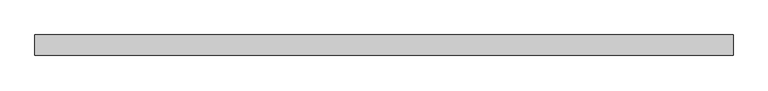
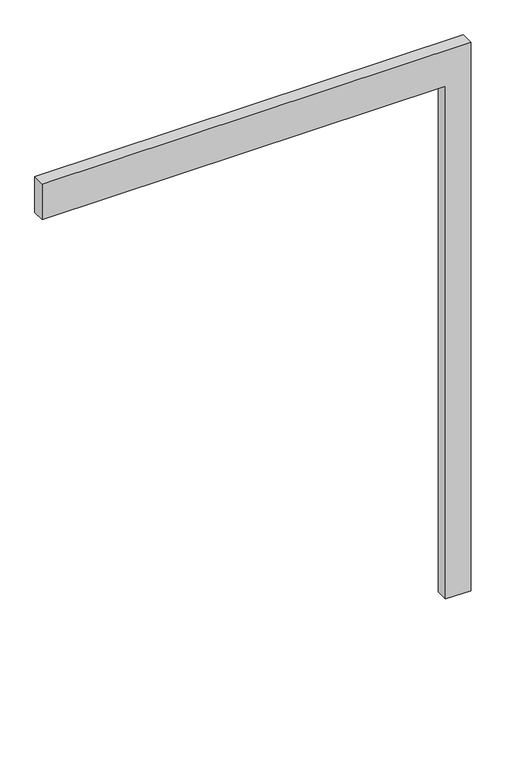
"""IFC4 building model written with IfcOpenShell, lengths in millimetres: proxy geometry."""

import ifcopenshell
import ifcopenshell.guid

model = None  # the IFC model being written
_history = None  # IfcOwnerHistory: only IFC2X3 demands one
_inside = {}  # id of a spatial element -> (the spatial element, [elements in it])
_under = {}  # id of a project, library or spatial element -> (it, [spatial elements below it])
_declared = {}  # id of a project -> (the project, [libraries it declares])
_typed = {}  # id of a type object -> (the type object, [elements of that type])
_made_of = {}  # id of a material, layer set ... -> (it, [elements and type objects made of it])


def new_model(schema):
    """Start an empty IFC model of exactly this schema.

    Asked for "IFC4X3", IfcOpenShell would pick the latest addendum, in which some entities
    have other attributes; the version numbers below select the first issue.
    IFC2X3 requires an IfcOwnerHistory on every rooted entity: one is made here for all.
    """
    global model, _history
    if schema == "IFC4X3":
        model = ifcopenshell.file(schema_version=(4, 3, 0, 0))
    else:
        model = ifcopenshell.file(schema=schema)
    _inside.clear()
    _under.clear()
    _declared.clear()
    _typed.clear()
    _made_of.clear()
    _history = None
    if model.schema == "IFC2X3":
        org = make("IfcOrganization", Name="unknown")
        user = make(
            "IfcPersonAndOrganization",
            ThePerson=make("IfcPerson", FamilyName="unknown"),
            TheOrganization=org,
        )
        app = make(
            "IfcApplication",
            ApplicationDeveloper=org,
            Version="unknown",
            ApplicationFullName="unknown",
            ApplicationIdentifier="unknown",
        )
        _history = make(
            "IfcOwnerHistory",
            OwningUser=user,
            OwningApplication=app,
            ChangeAction="ADDED",
            CreationDate=0,
        )
    return model


def make(cls, **values):
    """One entity of the class cls with the attributes given. An attribute that is None is left unset."""
    return model.create_entity(
        cls, **{name: value for name, value in values.items() if value is not None}
    )


def rooted(cls, **values):
    """An entity with a GlobalId (a new one), such as an element, a storey or a relation."""
    return make(cls, GlobalId=ifcopenshell.guid.new(), OwnerHistory=_history, **values)


def si_unit(unit_type, name, prefix=None):
    """IfcSIUnit, for example si_unit("LENGTHUNIT", "METRE", prefix="MILLI")."""
    return make("IfcSIUnit", UnitType=unit_type, Prefix=prefix, Name=name)


def assignment(units):
    """IfcUnitAssignment: the units of a project."""
    return None if units is None else make("IfcUnitAssignment", Units=units)


def point(xyz):
    """IfcCartesianPoint."""
    return None if xyz is None else make("IfcCartesianPoint", Coordinates=xyz)


def direction(xyz):
    """IfcDirection."""
    return None if xyz is None else make("IfcDirection", DirectionRatios=xyz)


def frame(location, z_axis=None, x_axis=None):
    """IfcAxis2Placement3D, a coordinate frame: its origin and axes. An axis left out is left unset."""
    return make(
        "IfcAxis2Placement3D",
        Location=point(location),
        Axis=direction(z_axis),
        RefDirection=direction(x_axis),
    )


def origin():
    """The frame at (0, 0, 0) with its axes left unset."""
    return frame((0.0, 0.0, 0.0))


def place(relative_to, where):
    """IfcLocalPlacement: puts the frame where relative to a parent placement (None: the world)."""
    return make(
        "IfcLocalPlacement", PlacementRelTo=relative_to, RelativePlacement=where
    )


def context(
    kind, dimensions, precision=None, world=None, true_north=None, identifier=None
):
    """IfcGeometricRepresentationContext, for example the 3D "Model" context."""
    return make(
        "IfcGeometricRepresentationContext",
        ContextIdentifier=identifier,
        ContextType=kind,
        CoordinateSpaceDimension=dimensions,
        Precision=precision,
        WorldCoordinateSystem=world,
        TrueNorth=true_north,
    )


def project(units=None, contexts=None):
    """IfcProject with its units and contexts."""
    return rooted(
        "IfcProject",
        Name="project",
        RepresentationContexts=contexts,
        UnitsInContext=assignment(units),
    )


def spatial(cls, under=None, at=None, **own):
    """A site, building, storey or space (cls), placed at a placement, below another one or the project."""
    s = rooted(cls, ObjectPlacement=at, **own)
    if under is not None:
        _under.setdefault(under.id(), (under, []))[1].append(s)
    return s


def polyline(points):
    """IfcPolyline through the points."""
    return make("IfcPolyline", Points=[point(p) for p in points])


def outline(outer, holes=None, kind="AREA"):
    """IfcArbitraryClosedProfileDef: a profile drawn as a closed curve; with holes, ...WithVoids."""
    if holes is None:
        return make("IfcArbitraryClosedProfileDef", ProfileType=kind, OuterCurve=outer)
    return make(
        "IfcArbitraryProfileDefWithVoids",
        ProfileType=kind,
        OuterCurve=outer,
        InnerCurves=holes,
    )


def extrude(swept, where, along, depth):
    """IfcExtrudedAreaSolid: the profile swept, set in the frame where, extruded along a direction by depth."""
    return make(
        "IfcExtrudedAreaSolid",
        SweptArea=swept,
        Position=where,
        ExtrudedDirection=direction(along),
        Depth=depth,
    )


def shape(context_of_items, identifier, shape_type, items):
    """IfcShapeRepresentation: the items that make up one representation, for example the "Body"."""
    return make(
        "IfcShapeRepresentation",
        ContextOfItems=context_of_items,
        RepresentationIdentifier=identifier,
        RepresentationType=shape_type,
        Items=items,
    )


def source(mapping_origin, context_of_items, identifier, shape_type, items):
    """IfcRepresentationMap: a shape defined once, which mapped items show again and again."""
    return make(
        "IfcRepresentationMap",
        MappingOrigin=mapping_origin,
        MappedRepresentation=shape(context_of_items, identifier, shape_type, items),
    )


def transform(
    local_origin,
    x_axis=None,
    y_axis=None,
    z_axis=None,
    scale=None,
    scale2=None,
    scale3=None,
    uniform=True,
):
    """IfcCartesianTransformationOperator3D, or its non-uniform kind. x_axis, y_axis, z_axis: its Axis1, 2, 3."""
    if uniform:
        return make(
            "IfcCartesianTransformationOperator3D",
            Axis1=direction(x_axis),
            Axis2=direction(y_axis),
            LocalOrigin=point(local_origin),
            Scale=scale,
            Axis3=direction(z_axis),
        )
    return make(
        "IfcCartesianTransformationOperator3DnonUniform",
        Axis1=direction(x_axis),
        Axis2=direction(y_axis),
        LocalOrigin=point(local_origin),
        Scale=scale,
        Axis3=direction(z_axis),
        Scale2=scale2,
        Scale3=scale3,
    )


def mapped(mapping_source, mapping_target):
    """IfcMappedItem: shows the shape of a source again, moved by a transform."""
    return make(
        "IfcMappedItem", MappingSource=mapping_source, MappingTarget=mapping_target
    )


def made_of(thing, what):
    """Note that an element or type object is made of a material, layer set ...; save() writes the relation."""
    if what is not None:
        _made_of.setdefault(what.id(), (what, []))[1].append(thing)
    return thing


def element(
    cls,
    number,
    at=None,
    inside=None,
    cuts=None,
    type_object=None,
    material=None,
    context=None,
    identifier="Body",
    shape_type=None,
    held_by="IfcProductDefinitionShape",
    body=None,
    shapes=None,
    **own,
):
    """One element of the class cls, such as IfcWall. Its Tag is "e" and its number.

    at: its placement. inside: the storey or other place that contains it. cuts: it is an
    opening in that element (IfcRelVoidsElement). A single representation is given by context,
    identifier, shape_type and body (its items); several are given by shapes. held_by: the class
    of the entity that holds the representations. save() writes the other relations.
    """
    e = rooted(cls, Tag="e%d" % number, ObjectPlacement=at, **own)
    if body is not None:
        shapes = [shape(context, identifier, shape_type, body)]
    if shapes is not None:
        e.Representation = make(held_by, Representations=shapes)
    if inside is not None:
        _inside.setdefault(inside.id(), (inside, []))[1].append(e)
    if cuts is not None:
        rooted(
            "IfcRelVoidsElement", RelatingBuildingElement=cuts, RelatedOpeningElement=e
        )
    if type_object is not None:
        _typed.setdefault(type_object.id(), (type_object, []))[1].append(e)
    return made_of(e, material)


def aggregate(whole, parts):
    """IfcRelAggregates: a whole, such as a stair, and the parts it consists of."""
    return rooted("IfcRelAggregates", RelatingObject=whole, RelatedObjects=parts)


def save(model, path):
    """Write the relations noted so far, then the file.

    IfcRelAggregates (storeys below a building ...), IfcRelContainedInSpatialStructure (elements
    in a storey), IfcRelDefinesByType, IfcRelAssociatesMaterial and IfcRelDeclares: one each for
    every whole, place, type object, material and project.
    """
    for whole, parts in _under.values():
        aggregate(whole, parts)
    for where, things in _inside.values():
        rooted(
            "IfcRelContainedInSpatialStructure",
            RelatedElements=things,
            RelatingStructure=where,
        )
    for kind, things in _typed.values():
        rooted("IfcRelDefinesByType", RelatedObjects=things, RelatingType=kind)
    for what, things in _made_of.values():
        rooted("IfcRelAssociatesMaterial", RelatedObjects=things, RelatingMaterial=what)
    for by, libraries in _declared.values():
        rooted("IfcRelDeclares", RelatingContext=by, RelatedDefinitions=libraries)
    model.write(path)


def generic_models_8d51e9d5(model_context):
    return source(origin(), model_context, "Body", "SweptSolid", [
        extrude(outline(polyline([(2150.0, -1600.0), (2150.0, 0.0), (0.0, 0.0), (0.0, 100.0), (2300.0, 100.0), (2300.0, -1600.0), (2150.0, -1600.0)])), frame((0.0, -50.0, 0.0), z_axis=(0.0, 1.0, 0.0), x_axis=(0.0, 0.0, 1.0)), (0.0, 0.0, 1.0), 50.0),
    ])


if __name__ == "__main__":
    model = new_model("IFC4")
    model_context = context("Model", 3, world=origin())
    ifc_project = project(units=[si_unit("LENGTHUNIT", "METRE", prefix="MILLI")], contexts=[model_context])
    site = spatial("IfcSite", under=ifc_project)
    building = spatial("IfcBuilding", under=site)
    placement = place(None, origin())
    generic_models_shape = generic_models_8d51e9d5(model_context)
    element("IfcBuildingElementProxy", 1, Name="Generic Models", at=placement, inside=building, context=model_context, shape_type="MappedRepresentation", body=[
        mapped(generic_models_shape, transform((0.0, 0.0, 0.0), x_axis=(1.0, 0.0, 0.0), y_axis=(0.0, 1.0, 0.0), z_axis=(0.0, 0.0, 1.0))),
    ])
    save(model, "model.ifc")
